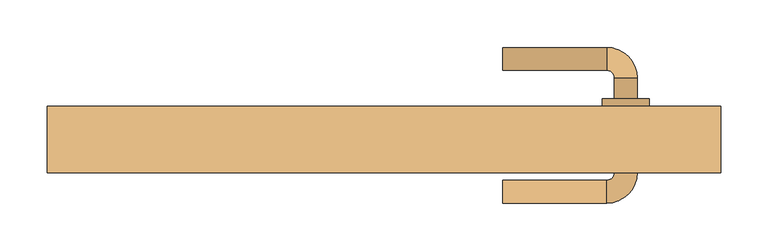
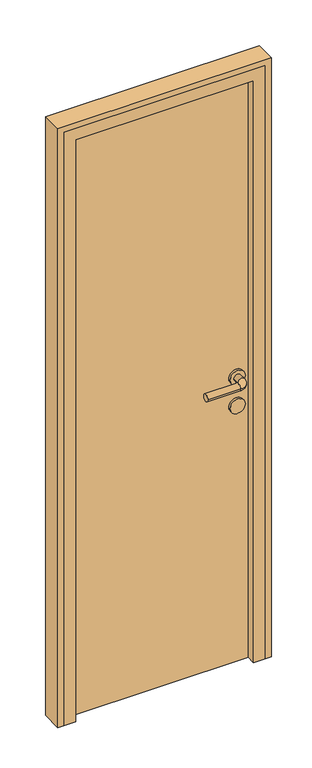
"""IFC4 building model written with IfcOpenShell, lengths in millimetres: door geometry."""

from ifc_helpers import new_model, si_unit, point, frame, frame_2d, origin, origin_with_axes, place, context, project, spatial, polyline, circle_curve, ellipse_curve, trimmed, segment, composite_curve, outline, extrude, faceted_brep, source, transform, mapped, element, save
from ifc_brep_helpers import plane_surface, cylinder_surface, revolved_surface, advanced_brep


def door_bf4bafe0(model_context):
    return source(origin(), model_context, "Body", "SolidModel", [
        advanced_brep(
        [(125.0, 87.0, 1000.0), (125.0, 63.0, 1000.0), (235.0, 63.0, 1000.0), (235.0, 87.0, 1000.0), (243.0, 55.0, 1000.0), (267.0, 55.0, 1000.0), (267.0, -45.0, 1000.0), (267.0, -23.0, 1000.0), (243.0, -23.0, 1000.0), (243.0, -45.0, 1000.0), (243.0, 33.0, 1000.0), (267.0, 33.0, 1000.0), (235.0, -53.0, 1000.0), (235.0, -77.0, 1000.0), (125.0, -77.0, 1000.0), (125.0, -53.0, 1000.0), (230.0, -23.0, 1000.0), (280.0, -23.0, 1000.0), (230.0, 33.0, 1000.0), (280.0, 33.0, 1000.0)],
        [
            (0, 1, circle_curve(frame((125.0, 75.0, 1000.0), z_axis=(-1.0, 0.0, 0.0), x_axis=(0.0, -1.0, 0.0)), 12.0)),
            (1, 0, circle_curve(frame((125.0, 75.0, 1000.0), z_axis=(-1.0, 0.0, 0.0), x_axis=(0.0, -1.0, 0.0)), 12.0)),
            (1, 2),
            (2, 3, circle_curve(frame((235.0, 75.0, 1000.0), z_axis=(-1.0, 0.0, 0.0), x_axis=(0.0, -1.0, 0.0)), 12.0)),
            (3, 0),
            (3, 2, circle_curve(frame((235.0, 75.0, 1000.0), z_axis=(-1.0, 0.0, 0.0), x_axis=(0.0, -1.0, 0.0)), 12.0)),
            (2, 4, circle_curve(frame((235.0, 55.0, 1000.0), z_axis=(0.0, 0.0, -1.0), x_axis=(0.0, 1.0, 0.0)), 8.0)),
            (4, 5, circle_curve(frame((255.0, 55.0, 1000.0), z_axis=(0.0, 1.0, 0.0), x_axis=(-1.0, 0.0, 0.0)), 12.0)),
            (5, 3, circle_curve(frame((235.0, 55.0, 1000.0), z_axis=(0.0, 0.0, 1.0), x_axis=(0.0, 1.0, 0.0)), 32.0)),
            (5, 4, circle_curve(frame((255.0, 55.0, 1000.0), z_axis=(0.0, 1.0, 0.0), x_axis=(-1.0, 0.0, 0.0)), 12.0)),
            (6, 7),
            (7, 8, circle_curve(frame((255.0, -23.0, 1000.0), z_axis=(0.0, -1.0, 0.0), x_axis=(-1.0, 0.0, 0.0)), 12.0)),
            (8, 9),
            (9, 6, circle_curve(frame((255.0, -45.0, 1000.0), z_axis=(0.0, 1.0, 0.0), x_axis=(-1.0, 0.0, 0.0)), 12.0)),
            (4, 10),
            (10, 11, circle_curve(frame((255.0, 33.0, 1000.0), z_axis=(0.0, 1.0, 0.0), x_axis=(-1.0, 0.0, 0.0)), 12.0)),
            (11, 5),
            (11, 10, circle_curve(frame((255.0, 33.0, 1000.0), z_axis=(0.0, 1.0, 0.0), x_axis=(-1.0, 0.0, 0.0)), 12.0)),
            (8, 7, circle_curve(frame((255.0, -23.0, 1000.0), z_axis=(0.0, -1.0, 0.0), x_axis=(-1.0, 0.0, 0.0)), 12.0)),
            (6, 9, circle_curve(frame((255.0, -45.0, 1000.0), z_axis=(0.0, 1.0, 0.0), x_axis=(-1.0, 0.0, 0.0)), 12.0)),
            (9, 12, circle_curve(frame((235.0, -45.0, 1000.0), z_axis=(0.0, 0.0, -1.0), x_axis=(1.0, 0.0, 0.0)), 8.0)),
            (12, 13, circle_curve(frame((235.0, -65.0, 1000.0), z_axis=(1.0, 0.0, 0.0), x_axis=(0.0, 1.0, 0.0)), 12.0)),
            (13, 6, circle_curve(frame((235.0, -45.0, 1000.0), z_axis=(0.0, 0.0, 1.0), x_axis=(1.0, 0.0, 0.0)), 32.0)),
            (13, 12, circle_curve(frame((235.0, -65.0, 1000.0), z_axis=(1.0, 0.0, 0.0), x_axis=(0.0, 1.0, 0.0)), 12.0)),
            (14, 15, circle_curve(frame((125.0, -65.0, 1000.0), z_axis=(-1.0, 0.0, 0.0), x_axis=(0.0, 1.0, 0.0)), 12.0)),
            (15, 14, circle_curve(frame((125.0, -65.0, 1000.0), z_axis=(-1.0, 0.0, 0.0), x_axis=(0.0, 1.0, 0.0)), 12.0)),
            (12, 15),
            (14, 13),
            (16, 17, circle_curve(frame((255.0, -23.0, 1000.0), z_axis=(0.0, -1.0, 0.0), x_axis=(1.0, 0.0, 0.0)), 25.0)),
            (17, 16, circle_curve(frame((255.0, -23.0, 1000.0), z_axis=(0.0, -1.0, 0.0), x_axis=(1.0, 0.0, 0.0)), 25.0)),
            (18, 19, circle_curve(frame((255.0, 33.0, 1000.0), z_axis=(0.0, 1.0, 0.0), x_axis=(1.0, 0.0, 0.0)), 25.0)),
            (19, 18, circle_curve(frame((255.0, 33.0, 1000.0), z_axis=(0.0, 1.0, 0.0), x_axis=(1.0, 0.0, 0.0)), 25.0)),
            (17, 19),
            (18, 16),
        ],
        [
            plane_surface(frame((125.0, 75.0, 1000.0), z_axis=(-1.0, 0.0, 0.0), x_axis=(0.0, 0.0, 1.0))),
            cylinder_surface(frame((125.0, 75.0, 1000.0), z_axis=(-1.0, 0.0, 0.0), x_axis=(0.0, -1.0, 0.0)), 12.0),
            revolved_surface(trimmed(ellipse_curve(frame((235.0, 75.0, 1000.0), z_axis=(1.0, 0.0, 0.0), x_axis=(0.0, -1.0, 0.0)), 12.0, 12.0), [point((235.0, 87.0, 1000.0))], [point((235.0, 63.0, 1000.0))], True, "CARTESIAN"), (235.0, 55.0, 1000.0), (0.0, 0.0, 1.0)),
            revolved_surface(trimmed(ellipse_curve(frame((235.0, 75.0, 1000.0), z_axis=(1.0, 0.0, 0.0), x_axis=(0.0, -1.0, 0.0)), 12.0, 12.0), [point((235.0, 63.0, 1000.0))], [point((235.0, 87.0, 1000.0))], True, "CARTESIAN"), (235.0, 55.0, 1000.0), (0.0, 0.0, 1.0)),
            cylinder_surface(frame((255.0, 55.0, 1000.0), z_axis=(0.0, 1.0, 0.0), x_axis=(-1.0, 0.0, 0.0)), 12.0),
            revolved_surface(trimmed(ellipse_curve(frame((255.0, -45.0, 1000.0), z_axis=(0.0, -1.0, 0.0), x_axis=(-1.0, 0.0, 0.0)), 12.0, 12.0), [point((267.0, -45.0, 1000.0))], [point((243.0, -45.0, 1000.0))], True, "CARTESIAN"), (235.0, -45.0, 1000.0), (0.0, 0.0, 1.0)),
            revolved_surface(trimmed(ellipse_curve(frame((255.0, -45.0, 1000.0), z_axis=(0.0, -1.0, 0.0), x_axis=(-1.0, 0.0, 0.0)), 12.0, 12.0), [point((243.0, -45.0, 1000.0))], [point((267.0, -45.0, 1000.0))], True, "CARTESIAN"), (235.0, -45.0, 1000.0), (0.0, 0.0, 1.0)),
            plane_surface(frame((125.0, -65.0, 1000.0), z_axis=(-1.0, 0.0, 0.0), x_axis=(0.0, 0.0, 1.0))),
            cylinder_surface(frame((235.0, -65.0, 1000.0), z_axis=(1.0, 0.0, 0.0), x_axis=(0.0, 1.0, 0.0)), 12.0),
            plane_surface(frame((280.0, -23.0, 1000.0), z_axis=(0.0, -1.0, 0.0), x_axis=(0.0, 0.0, -1.0))),
            plane_surface(frame((280.0, 33.0, 1000.0), z_axis=(0.0, 1.0, 0.0), x_axis=(0.0, 0.0, 1.0))),
            cylinder_surface(frame((255.0, -23.0, 1000.0), z_axis=(0.0, 1.0, 0.0), x_axis=(1.0, 0.0, 0.0)), 25.0),
        ],
        [
            (0, [[1, 2]]),
            (1, [[3, 4, 5, -2]]),
            (1, [[-5, 6, -3, -1]]),
            (2, [[7, 8, 9, -4]]),
            (3, [[-9, 10, -7, -6]]),
            (4, [[11, 12, 13, 14]]),
            (4, [[15, 16, 17, -8]]),
            (4, [[-17, 18, -15, -10]]),
            (4, [[-13, 19, -11, 20]]),
            (5, [[21, 22, 23, -14]]),
            (6, [[-23, 24, -21, -20]]),
            (7, [[25, 26]]),
            (8, [[27, -25, 28, -22]]),
            (8, [[-28, -26, -27, -24]]),
            (9, [[29, 30], [-19, -12]]),
            (10, [[31, 32], [-18, -16]]),
            (11, [[33, -31, 34, -30]]),
            (11, [[-34, -32, -33, -29]]),
        ],
    ),
        extrude(outline(composite_curve([segment(trimmed(circle_curve(frame_2d((900.0, 255.0)), 25.0), [point((900.0, 230.0))], [point((900.0, 280.0))], False, "CARTESIAN"), True, "CONTINUOUS"), segment(trimmed(circle_curve(frame_2d((900.0, 255.0)), 25.0), [point((900.0, 280.0))], [point((900.0, 230.0))], False, "CARTESIAN"), True, "CONTINUOUS")], self_intersect=False)), frame((0.0, -23.0, 0.0), z_axis=(0.0, 1.0, 0.0), x_axis=(0.0, 0.0, 1.0)), (0.0, 0.0, 1.0), 56.0),
        extrude(outline(polyline([(305.0, -15.0), (-305.0, -15.0), (-305.0, 25.0), (305.0, 25.0), (305.0, -15.0)])), origin_with_axes(), (0.0, 0.0, 1.0), 2050.0),
        extrude(outline(polyline([(0.0, 355.0), (2100.0, 355.0), (2100.0, -355.0), (0.0, -355.0), (0.0, -335.0), (2080.0, -335.0), (2080.0, 335.0), (0.0, 335.0), (0.0, 355.0)])), frame((0.0, -45.0, 0.0), z_axis=(0.0, 1.0, 0.0), x_axis=(0.0, 0.0, 1.0)), (0.0, 0.0, 1.0), 70.0),
        faceted_brep([(-335.0, -45.0, 0.0), (-335.0, 25.0, 0.0), (-305.0, 25.0, 0.0), (-305.0, -15.0, 0.0), (-295.0, -15.0, 0.0), (-295.0, -45.0, 0.0), (-335.0, -45.0, 2080.0), (-335.0, 25.0, 2080.0), (335.0, 25.0, 2080.0), (335.0, 25.0, 0.0), (305.0, 25.0, 0.0), (305.0, 25.0, 2050.0), (-305.0, 25.0, 2050.0), (-305.0, -15.0, 2050.0), (305.0, -15.0, 2050.0), (305.0, -15.0, 0.0), (295.0, -15.0, 0.0), (295.0, -15.0, 2040.0), (-295.0, -15.0, 2040.0), (-295.0, -45.0, 2040.0), (295.0, -45.0, 2040.0), (295.0, -45.0, 0.0), (335.0, -45.0, 0.0), (335.0, -45.0, 2080.0)], [[[0, 1, 2, 3, 4, 5]], [[1, 0, 6, 7]], [[2, 1, 7, 8, 9, 10, 11, 12]], [[3, 2, 12, 13]], [[4, 3, 13, 14, 15, 16, 17, 18]], [[5, 4, 18, 19]], [[0, 5, 19, 20, 21, 22, 23, 6]], [[7, 6, 23, 8]], [[13, 12, 11, 14]], [[19, 18, 17, 20]], [[22, 21, 16, 15, 10, 9]], [[8, 23, 22, 9]], [[14, 11, 10, 15]], [[20, 17, 16, 21]]]),
    ])


if __name__ == "__main__":
    model = new_model("IFC4")
    model_context = context("Model", 3, world=origin())
    ifc_project = project(units=[si_unit("LENGTHUNIT", "METRE", prefix="MILLI")], contexts=[model_context])
    site = spatial("IfcSite", under=ifc_project)
    building = spatial("IfcBuilding", under=site)
    placement = place(None, origin())
    door_shape = door_bf4bafe0(model_context)
    element("IfcDoor", 1, at=placement, inside=building, context=model_context, shape_type="MappedRepresentation", body=[
        mapped(door_shape, transform((0.0, 0.0, 0.0), x_axis=(1.0, 0.0, 0.0), y_axis=(0.0, 1.0, 0.0), z_axis=(0.0, 0.0, 1.0))),
    ])
    save(model, "model.ifc")
